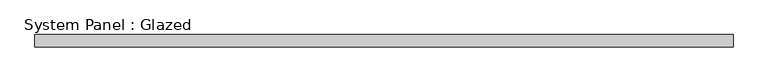
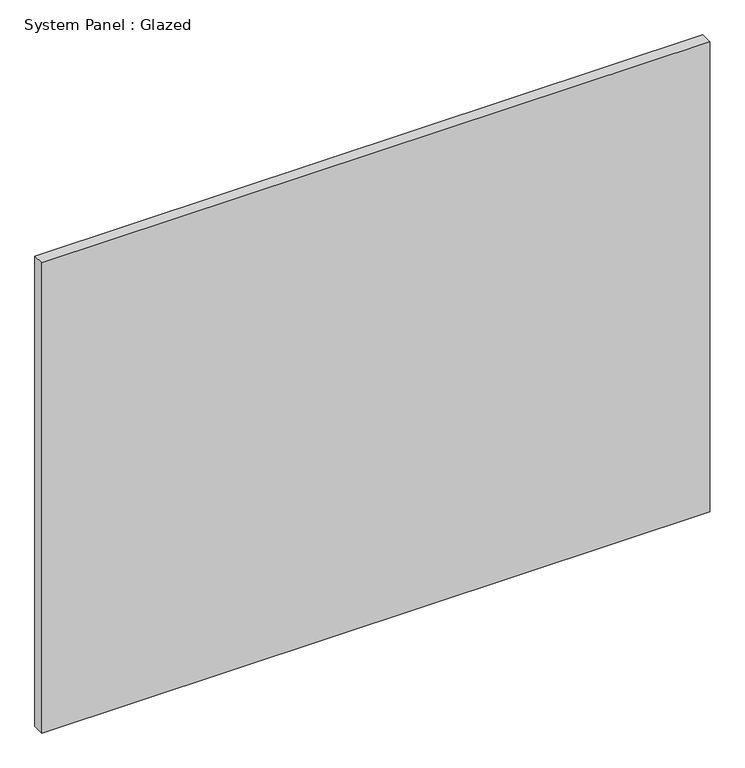
"""IFC4 building model written with IfcOpenShell, lengths in millimetres: plate geometry, System Panel : Glazed."""

import ifcopenshell
import ifcopenshell.guid

model = None  # the IFC model being written
_history = None  # IfcOwnerHistory: only IFC2X3 demands one
_inside = {}  # id of a spatial element -> (the spatial element, [elements in it])
_under = {}  # id of a project, library or spatial element -> (it, [spatial elements below it])
_declared = {}  # id of a project -> (the project, [libraries it declares])
_typed = {}  # id of a type object -> (the type object, [elements of that type])
_made_of = {}  # id of a material, layer set ... -> (it, [elements and type objects made of it])


def new_model(schema):
    """Start an empty IFC model of exactly this schema.

    Asked for "IFC4X3", IfcOpenShell would pick the latest addendum, in which some entities
    have other attributes; the version numbers below select the first issue.
    IFC2X3 requires an IfcOwnerHistory on every rooted entity: one is made here for all.
    """
    global model, _history
    if schema == "IFC4X3":
        model = ifcopenshell.file(schema_version=(4, 3, 0, 0))
    else:
        model = ifcopenshell.file(schema=schema)
    _inside.clear()
    _under.clear()
    _declared.clear()
    _typed.clear()
    _made_of.clear()
    _history = None
    if model.schema == "IFC2X3":
        org = make("IfcOrganization", Name="unknown")
        user = make(
            "IfcPersonAndOrganization",
            ThePerson=make("IfcPerson", FamilyName="unknown"),
            TheOrganization=org,
        )
        app = make(
            "IfcApplication",
            ApplicationDeveloper=org,
            Version="unknown",
            ApplicationFullName="unknown",
            ApplicationIdentifier="unknown",
        )
        _history = make(
            "IfcOwnerHistory",
            OwningUser=user,
            OwningApplication=app,
            ChangeAction="ADDED",
            CreationDate=0,
        )
    return model


def make(cls, **values):
    """One entity of the class cls with the attributes given. An attribute that is None is left unset."""
    return model.create_entity(
        cls, **{name: value for name, value in values.items() if value is not None}
    )


def rooted(cls, **values):
    """An entity with a GlobalId (a new one), such as an element, a storey or a relation."""
    return make(cls, GlobalId=ifcopenshell.guid.new(), OwnerHistory=_history, **values)


def si_unit(unit_type, name, prefix=None):
    """IfcSIUnit, for example si_unit("LENGTHUNIT", "METRE", prefix="MILLI")."""
    return make("IfcSIUnit", UnitType=unit_type, Prefix=prefix, Name=name)


def assignment(units):
    """IfcUnitAssignment: the units of a project."""
    return None if units is None else make("IfcUnitAssignment", Units=units)


def point(xyz):
    """IfcCartesianPoint."""
    return None if xyz is None else make("IfcCartesianPoint", Coordinates=xyz)


def direction(xyz):
    """IfcDirection."""
    return None if xyz is None else make("IfcDirection", DirectionRatios=xyz)


def frame(location, z_axis=None, x_axis=None):
    """IfcAxis2Placement3D, a coordinate frame: its origin and axes. An axis left out is left unset."""
    return make(
        "IfcAxis2Placement3D",
        Location=point(location),
        Axis=direction(z_axis),
        RefDirection=direction(x_axis),
    )


def origin():
    """The frame at (0, 0, 0) with its axes left unset."""
    return frame((0.0, 0.0, 0.0))


def origin_with_axes():
    """The frame at (0, 0, 0) with the z axis (0, 0, 1) and the x axis (1, 0, 0) written out."""
    return frame((0.0, 0.0, 0.0), z_axis=(0.0, 0.0, 1.0), x_axis=(1.0, 0.0, 0.0))


def place(relative_to, where):
    """IfcLocalPlacement: puts the frame where relative to a parent placement (None: the world)."""
    return make(
        "IfcLocalPlacement", PlacementRelTo=relative_to, RelativePlacement=where
    )


def context(
    kind, dimensions, precision=None, world=None, true_north=None, identifier=None
):
    """IfcGeometricRepresentationContext, for example the 3D "Model" context."""
    return make(
        "IfcGeometricRepresentationContext",
        ContextIdentifier=identifier,
        ContextType=kind,
        CoordinateSpaceDimension=dimensions,
        Precision=precision,
        WorldCoordinateSystem=world,
        TrueNorth=true_north,
    )


def project(units=None, contexts=None):
    """IfcProject with its units and contexts."""
    return rooted(
        "IfcProject",
        Name="project",
        RepresentationContexts=contexts,
        UnitsInContext=assignment(units),
    )


def spatial(cls, under=None, at=None, **own):
    """A site, building, storey or space (cls), placed at a placement, below another one or the project."""
    s = rooted(cls, ObjectPlacement=at, **own)
    if under is not None:
        _under.setdefault(under.id(), (under, []))[1].append(s)
    return s


def polyline(points):
    """IfcPolyline through the points."""
    return make("IfcPolyline", Points=[point(p) for p in points])


def outline(outer, holes=None, kind="AREA"):
    """IfcArbitraryClosedProfileDef: a profile drawn as a closed curve; with holes, ...WithVoids."""
    if holes is None:
        return make("IfcArbitraryClosedProfileDef", ProfileType=kind, OuterCurve=outer)
    return make(
        "IfcArbitraryProfileDefWithVoids",
        ProfileType=kind,
        OuterCurve=outer,
        InnerCurves=holes,
    )


def extrude(swept, where, along, depth):
    """IfcExtrudedAreaSolid: the profile swept, set in the frame where, extruded along a direction by depth."""
    return make(
        "IfcExtrudedAreaSolid",
        SweptArea=swept,
        Position=where,
        ExtrudedDirection=direction(along),
        Depth=depth,
    )


def shape(context_of_items, identifier, shape_type, items):
    """IfcShapeRepresentation: the items that make up one representation, for example the "Body"."""
    return make(
        "IfcShapeRepresentation",
        ContextOfItems=context_of_items,
        RepresentationIdentifier=identifier,
        RepresentationType=shape_type,
        Items=items,
    )


def source(mapping_origin, context_of_items, identifier, shape_type, items):
    """IfcRepresentationMap: a shape defined once, which mapped items show again and again."""
    return make(
        "IfcRepresentationMap",
        MappingOrigin=mapping_origin,
        MappedRepresentation=shape(context_of_items, identifier, shape_type, items),
    )


def transform(
    local_origin,
    x_axis=None,
    y_axis=None,
    z_axis=None,
    scale=None,
    scale2=None,
    scale3=None,
    uniform=True,
):
    """IfcCartesianTransformationOperator3D, or its non-uniform kind. x_axis, y_axis, z_axis: its Axis1, 2, 3."""
    if uniform:
        return make(
            "IfcCartesianTransformationOperator3D",
            Axis1=direction(x_axis),
            Axis2=direction(y_axis),
            LocalOrigin=point(local_origin),
            Scale=scale,
            Axis3=direction(z_axis),
        )
    return make(
        "IfcCartesianTransformationOperator3DnonUniform",
        Axis1=direction(x_axis),
        Axis2=direction(y_axis),
        LocalOrigin=point(local_origin),
        Scale=scale,
        Axis3=direction(z_axis),
        Scale2=scale2,
        Scale3=scale3,
    )


def mapped(mapping_source, mapping_target):
    """IfcMappedItem: shows the shape of a source again, moved by a transform."""
    return make(
        "IfcMappedItem", MappingSource=mapping_source, MappingTarget=mapping_target
    )


def made_of(thing, what):
    """Note that an element or type object is made of a material, layer set ...; save() writes the relation."""
    if what is not None:
        _made_of.setdefault(what.id(), (what, []))[1].append(thing)
    return thing


def element(
    cls,
    number,
    at=None,
    inside=None,
    cuts=None,
    type_object=None,
    material=None,
    context=None,
    identifier="Body",
    shape_type=None,
    held_by="IfcProductDefinitionShape",
    body=None,
    shapes=None,
    **own,
):
    """One element of the class cls, such as IfcWall. Its Tag is "e" and its number.

    at: its placement. inside: the storey or other place that contains it. cuts: it is an
    opening in that element (IfcRelVoidsElement). A single representation is given by context,
    identifier, shape_type and body (its items); several are given by shapes. held_by: the class
    of the entity that holds the representations. save() writes the other relations.
    """
    e = rooted(cls, Tag="e%d" % number, ObjectPlacement=at, **own)
    if body is not None:
        shapes = [shape(context, identifier, shape_type, body)]
    if shapes is not None:
        e.Representation = make(held_by, Representations=shapes)
    if inside is not None:
        _inside.setdefault(inside.id(), (inside, []))[1].append(e)
    if cuts is not None:
        rooted(
            "IfcRelVoidsElement", RelatingBuildingElement=cuts, RelatedOpeningElement=e
        )
    if type_object is not None:
        _typed.setdefault(type_object.id(), (type_object, []))[1].append(e)
    return made_of(e, material)


def aggregate(whole, parts):
    """IfcRelAggregates: a whole, such as a stair, and the parts it consists of."""
    return rooted("IfcRelAggregates", RelatingObject=whole, RelatedObjects=parts)


def save(model, path):
    """Write the relations noted so far, then the file.

    IfcRelAggregates (storeys below a building ...), IfcRelContainedInSpatialStructure (elements
    in a storey), IfcRelDefinesByType, IfcRelAssociatesMaterial and IfcRelDeclares: one each for
    every whole, place, type object, material and project.
    """
    for whole, parts in _under.values():
        aggregate(whole, parts)
    for where, things in _inside.values():
        rooted(
            "IfcRelContainedInSpatialStructure",
            RelatedElements=things,
            RelatingStructure=where,
        )
    for kind, things in _typed.values():
        rooted("IfcRelDefinesByType", RelatedObjects=things, RelatingType=kind)
    for what, things in _made_of.values():
        rooted("IfcRelAssociatesMaterial", RelatedObjects=things, RelatingMaterial=what)
    for by, libraries in _declared.values():
        rooted("IfcRelDeclares", RelatingContext=by, RelatedDefinitions=libraries)
    model.write(path)


def system_panel_glazed_fc8d5a12(model_context):
    return source(origin(), model_context, "Body", "SweptSolid", [
        extrude(outline(polyline([(705.357143, 24.5), (-705.357143, 24.5), (-705.357143, 49.5), (705.357143, 49.5), (705.357143, 24.5)])), origin_with_axes(), (0.0, 0.0, 1.0), 1050.0),
    ])


if __name__ == "__main__":
    model = new_model("IFC4")
    model_context = context("Model", 3, world=origin())
    ifc_project = project(units=[si_unit("LENGTHUNIT", "METRE", prefix="MILLI")], contexts=[model_context])
    site = spatial("IfcSite", under=ifc_project)
    building = spatial("IfcBuilding", under=site)
    placement = place(None, origin())
    system_panel_glazed_shape = system_panel_glazed_fc8d5a12(model_context)
    element("IfcPlate", 1, ObjectType="System Panel : Glazed", at=placement, inside=building, context=model_context, shape_type="MappedRepresentation", body=[
        mapped(system_panel_glazed_shape, transform((0.0, 0.0, 0.0), x_axis=(1.0, 0.0, 0.0), y_axis=(0.0, 1.0, 0.0), z_axis=(0.0, 0.0, 1.0))),
    ])
    save(model, "model.ifc")
